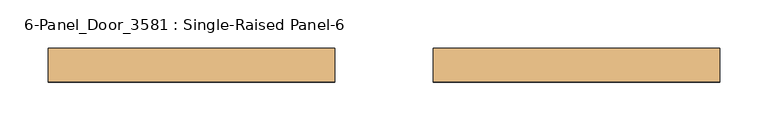
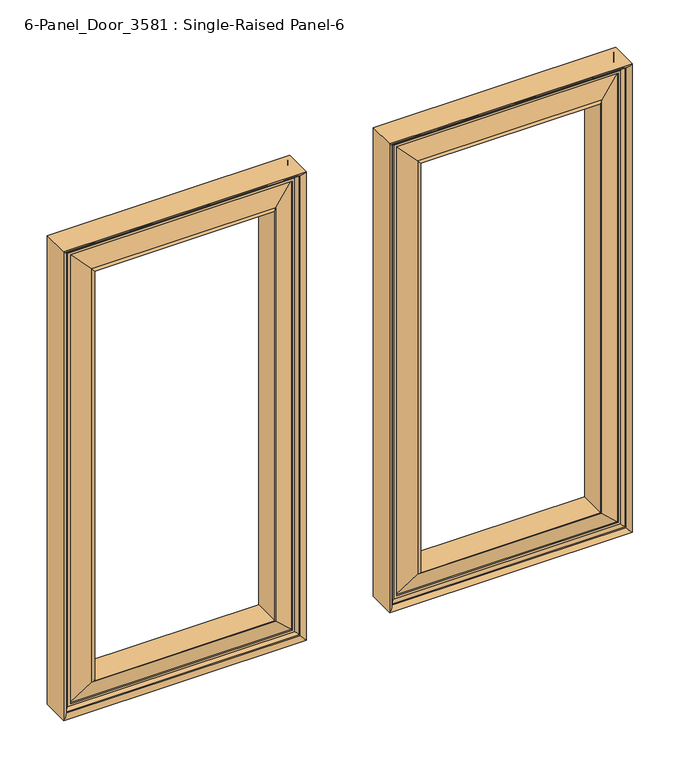
"""IFC4 building model written with IfcOpenShell, lengths in millimetres: door geometry, 6-Panel_Door_3581 : Single-Raised Panel-6."""

import ifcopenshell
import ifcopenshell.guid

model = None  # the IFC model being written
_history = None  # IfcOwnerHistory: only IFC2X3 demands one
_inside = {}  # id of a spatial element -> (the spatial element, [elements in it])
_under = {}  # id of a project, library or spatial element -> (it, [spatial elements below it])
_declared = {}  # id of a project -> (the project, [libraries it declares])
_typed = {}  # id of a type object -> (the type object, [elements of that type])
_made_of = {}  # id of a material, layer set ... -> (it, [elements and type objects made of it])


def new_model(schema):
    """Start an empty IFC model of exactly this schema.

    Asked for "IFC4X3", IfcOpenShell would pick the latest addendum, in which some entities
    have other attributes; the version numbers below select the first issue.
    IFC2X3 requires an IfcOwnerHistory on every rooted entity: one is made here for all.
    """
    global model, _history
    if schema == "IFC4X3":
        model = ifcopenshell.file(schema_version=(4, 3, 0, 0))
    else:
        model = ifcopenshell.file(schema=schema)
    _inside.clear()
    _under.clear()
    _declared.clear()
    _typed.clear()
    _made_of.clear()
    _history = None
    if model.schema == "IFC2X3":
        org = make("IfcOrganization", Name="unknown")
        user = make(
            "IfcPersonAndOrganization",
            ThePerson=make("IfcPerson", FamilyName="unknown"),
            TheOrganization=org,
        )
        app = make(
            "IfcApplication",
            ApplicationDeveloper=org,
            Version="unknown",
            ApplicationFullName="unknown",
            ApplicationIdentifier="unknown",
        )
        _history = make(
            "IfcOwnerHistory",
            OwningUser=user,
            OwningApplication=app,
            ChangeAction="ADDED",
            CreationDate=0,
        )
    return model


def make(cls, **values):
    """One entity of the class cls with the attributes given. An attribute that is None is left unset."""
    return model.create_entity(
        cls, **{name: value for name, value in values.items() if value is not None}
    )


def rooted(cls, **values):
    """An entity with a GlobalId (a new one), such as an element, a storey or a relation."""
    return make(cls, GlobalId=ifcopenshell.guid.new(), OwnerHistory=_history, **values)


def si_unit(unit_type, name, prefix=None):
    """IfcSIUnit, for example si_unit("LENGTHUNIT", "METRE", prefix="MILLI")."""
    return make("IfcSIUnit", UnitType=unit_type, Prefix=prefix, Name=name)


def assignment(units):
    """IfcUnitAssignment: the units of a project."""
    return None if units is None else make("IfcUnitAssignment", Units=units)


def point(xyz):
    """IfcCartesianPoint."""
    return None if xyz is None else make("IfcCartesianPoint", Coordinates=xyz)


def direction(xyz):
    """IfcDirection."""
    return None if xyz is None else make("IfcDirection", DirectionRatios=xyz)


def frame(location, z_axis=None, x_axis=None):
    """IfcAxis2Placement3D, a coordinate frame: its origin and axes. An axis left out is left unset."""
    return make(
        "IfcAxis2Placement3D",
        Location=point(location),
        Axis=direction(z_axis),
        RefDirection=direction(x_axis),
    )


def origin():
    """The frame at (0, 0, 0) with its axes left unset."""
    return frame((0.0, 0.0, 0.0))


def place(relative_to, where):
    """IfcLocalPlacement: puts the frame where relative to a parent placement (None: the world)."""
    return make(
        "IfcLocalPlacement", PlacementRelTo=relative_to, RelativePlacement=where
    )


def context(
    kind, dimensions, precision=None, world=None, true_north=None, identifier=None
):
    """IfcGeometricRepresentationContext, for example the 3D "Model" context."""
    return make(
        "IfcGeometricRepresentationContext",
        ContextIdentifier=identifier,
        ContextType=kind,
        CoordinateSpaceDimension=dimensions,
        Precision=precision,
        WorldCoordinateSystem=world,
        TrueNorth=true_north,
    )


def project(units=None, contexts=None):
    """IfcProject with its units and contexts."""
    return rooted(
        "IfcProject",
        Name="project",
        RepresentationContexts=contexts,
        UnitsInContext=assignment(units),
    )


def spatial(cls, under=None, at=None, **own):
    """A site, building, storey or space (cls), placed at a placement, below another one or the project."""
    s = rooted(cls, ObjectPlacement=at, **own)
    if under is not None:
        _under.setdefault(under.id(), (under, []))[1].append(s)
    return s


def polyline(points):
    """IfcPolyline through the points."""
    return make("IfcPolyline", Points=[point(p) for p in points])


def ellipse_curve(where, semi_axis1, semi_axis2):
    """IfcEllipse in the frame where."""
    return make(
        "IfcEllipse", Position=where, SemiAxis1=semi_axis1, SemiAxis2=semi_axis2
    )


def shape(context_of_items, identifier, shape_type, items):
    """IfcShapeRepresentation: the items that make up one representation, for example the "Body"."""
    return make(
        "IfcShapeRepresentation",
        ContextOfItems=context_of_items,
        RepresentationIdentifier=identifier,
        RepresentationType=shape_type,
        Items=items,
    )


def source(mapping_origin, context_of_items, identifier, shape_type, items):
    """IfcRepresentationMap: a shape defined once, which mapped items show again and again."""
    return make(
        "IfcRepresentationMap",
        MappingOrigin=mapping_origin,
        MappedRepresentation=shape(context_of_items, identifier, shape_type, items),
    )


def transform(
    local_origin,
    x_axis=None,
    y_axis=None,
    z_axis=None,
    scale=None,
    scale2=None,
    scale3=None,
    uniform=True,
):
    """IfcCartesianTransformationOperator3D, or its non-uniform kind. x_axis, y_axis, z_axis: its Axis1, 2, 3."""
    if uniform:
        return make(
            "IfcCartesianTransformationOperator3D",
            Axis1=direction(x_axis),
            Axis2=direction(y_axis),
            LocalOrigin=point(local_origin),
            Scale=scale,
            Axis3=direction(z_axis),
        )
    return make(
        "IfcCartesianTransformationOperator3DnonUniform",
        Axis1=direction(x_axis),
        Axis2=direction(y_axis),
        LocalOrigin=point(local_origin),
        Scale=scale,
        Axis3=direction(z_axis),
        Scale2=scale2,
        Scale3=scale3,
    )


def mapped(mapping_source, mapping_target):
    """IfcMappedItem: shows the shape of a source again, moved by a transform."""
    return make(
        "IfcMappedItem", MappingSource=mapping_source, MappingTarget=mapping_target
    )


def made_of(thing, what):
    """Note that an element or type object is made of a material, layer set ...; save() writes the relation."""
    if what is not None:
        _made_of.setdefault(what.id(), (what, []))[1].append(thing)
    return thing


def element(
    cls,
    number,
    at=None,
    inside=None,
    cuts=None,
    type_object=None,
    material=None,
    context=None,
    identifier="Body",
    shape_type=None,
    held_by="IfcProductDefinitionShape",
    body=None,
    shapes=None,
    **own,
):
    """One element of the class cls, such as IfcWall. Its Tag is "e" and its number.

    at: its placement. inside: the storey or other place that contains it. cuts: it is an
    opening in that element (IfcRelVoidsElement). A single representation is given by context,
    identifier, shape_type and body (its items); several are given by shapes. held_by: the class
    of the entity that holds the representations. save() writes the other relations.
    """
    e = rooted(cls, Tag="e%d" % number, ObjectPlacement=at, **own)
    if body is not None:
        shapes = [shape(context, identifier, shape_type, body)]
    if shapes is not None:
        e.Representation = make(held_by, Representations=shapes)
    if inside is not None:
        _inside.setdefault(inside.id(), (inside, []))[1].append(e)
    if cuts is not None:
        rooted(
            "IfcRelVoidsElement", RelatingBuildingElement=cuts, RelatedOpeningElement=e
        )
    if type_object is not None:
        _typed.setdefault(type_object.id(), (type_object, []))[1].append(e)
    return made_of(e, material)


def aggregate(whole, parts):
    """IfcRelAggregates: a whole, such as a stair, and the parts it consists of."""
    return rooted("IfcRelAggregates", RelatingObject=whole, RelatedObjects=parts)


def save(model, path):
    """Write the relations noted so far, then the file.

    IfcRelAggregates (storeys below a building ...), IfcRelContainedInSpatialStructure (elements
    in a storey), IfcRelDefinesByType, IfcRelAssociatesMaterial and IfcRelDeclares: one each for
    every whole, place, type object, material and project.
    """
    for whole, parts in _under.values():
        aggregate(whole, parts)
    for where, things in _inside.values():
        rooted(
            "IfcRelContainedInSpatialStructure",
            RelatedElements=things,
            RelatingStructure=where,
        )
    for kind, things in _typed.values():
        rooted("IfcRelDefinesByType", RelatedObjects=things, RelatingType=kind)
    for what, things in _made_of.values():
        rooted("IfcRelAssociatesMaterial", RelatedObjects=things, RelatingMaterial=what)
    for by, libraries in _declared.values():
        rooted("IfcRelDeclares", RelatingContext=by, RelatedDefinitions=libraries)
    model.write(path)


def plane_surface(at):
    """IfcPlane: the flat surface through the origin of the frame at, square to its z axis."""
    return make("IfcPlane", Position=at)


def cylinder_surface(at, radius):
    """IfcCylindricalSurface: all points at the distance radius from the z axis of the frame at."""
    return make("IfcCylindricalSurface", Position=at, Radius=radius)


def revolved_surface(curve, axis_point, axis_direction):
    """IfcSurfaceOfRevolution: the curve turned about the line through axis_point along axis_direction."""
    return make(
        "IfcSurfaceOfRevolution",
        SweptCurve=make("IfcArbitraryOpenProfileDef", ProfileType="CURVE", Curve=curve),
        AxisPosition=make("IfcAxis1Placement", Location=point(axis_point), Axis=direction(axis_direction)),
    )


def advanced_brep(points, edges, surfaces, faces):
    """IfcAdvancedBrep: a solid bounded by faces that lie on surfaces and meet in shared edges.

    An edge is (start, end): straight between two places in points (the first is 0);
    or (start, end, curve); or (start, end, curve, False) where it runs against its curve.
    A face is (place in surfaces, loops), or (place, loops, False) where it looks against
    its surface's normal. A loop lists edges by number (the first is 1), with a minus sign
    where the edge is run from its end to its start. The first loop is the outer one.
    """
    corners = [point(p) for p in points]
    vertices = [make("IfcVertexPoint", VertexGeometry=c) for c in corners]
    made = []
    for start, end, *more in edges:
        made.append(
            make(
                "IfcEdgeCurve",
                EdgeStart=vertices[start],
                EdgeEnd=vertices[end],
                EdgeGeometry=more[0] if more else make("IfcPolyline", Points=[corners[start], corners[end]]),
                SameSense=more[1] if len(more) > 1 else True,
            )
        )
    hull = []
    for where, loops, *sense in faces:
        bounds = []
        for j, loop in enumerate(loops):
            ring = [make("IfcOrientedEdge", EdgeElement=made[abs(k) - 1], Orientation=k > 0) for k in loop]
            bounds.append(
                make(
                    "IfcFaceOuterBound" if j == 0 else "IfcFaceBound",
                    Bound=make("IfcEdgeLoop", EdgeList=ring),
                    Orientation=True,
                )
            )
        hull.append(make("IfcAdvancedFace", Bounds=bounds, FaceSurface=surfaces[where], SameSense=sense[0] if sense else True))
    return make("IfcAdvancedBrep", Outer=make("IfcClosedShell", CfsFaces=hull))


def door_6_panel_door_3581_single_raised_panel_6_2b14a75c(model_context):
    return source(origin(), model_context, "Body", "AdvancedBrep", [
        advanced_brep(
        [(50.8, 41.4748678, 1619.25), (346.075, 41.4748678, 1619.25), (346.075, 76.0029928, 1619.25), (50.8, 76.0029928, 1619.25), (55.5583641, 46.0389303, 1614.4916359), (341.3166359, 46.0389303, 1614.4916359), (60.325, 49.2139303, 1609.725), (336.55, 49.2139303, 1609.725), (339.725, 46.0389303, 1612.9), (57.15, 46.0389303, 1612.9), (63.5, 50.8165159, 1606.55), (333.375, 50.8165159, 1606.55), (333.375, 49.2139303, 1606.55), (63.5, 49.2139303, 1606.55), (86.2811535, 44.2921518, 1583.7688465), (310.5938465, 44.2921518, 1583.7688465), (88.9, 41.6733053, 1581.15), (307.975, 41.6733053, 1581.15), (88.9, 76.0029928, 1581.15), (307.975, 76.0029928, 1581.15), (86.0030767, 73.1060696, 1584.0469233), (310.8719233, 73.1060696, 1584.0469233), (63.5, 66.6613447, 1606.55), (333.375, 66.6613447, 1606.55), (63.5, 68.2639303, 1606.55), (333.375, 68.2639303, 1606.55), (57.15, 71.4389303, 1612.9), (339.725, 71.4389303, 1612.9), (336.55, 68.2639303, 1609.725), (60.325, 68.2639303, 1609.725), (341.3166359, 71.4389303, 1614.4916359), (55.5583641, 71.4389303, 1614.4916359), (346.075, 41.4748678, 1016.0), (346.075, 76.0029928, 1016.0), (341.3166359, 46.0389303, 1020.7583641), (336.55, 49.2139303, 1025.525), (339.725, 46.0389303, 1022.35), (333.375, 50.8165159, 1028.7), (333.375, 49.2139303, 1028.7), (310.5938465, 44.2921518, 1051.4811535), (307.975, 41.6733053, 1054.1), (307.975, 76.0029928, 1054.1), (310.8719233, 73.1060696, 1051.2030767), (333.375, 66.6613447, 1028.7), (333.375, 68.2639303, 1028.7), (339.725, 71.4389303, 1022.35), (336.55, 68.2639303, 1025.525), (341.3166359, 71.4389303, 1020.7583641), (50.8, 41.4748678, 1016.0), (50.8, 76.0029928, 1016.0), (55.5583641, 46.0389303, 1020.7583641), (60.325, 49.2139303, 1025.525), (57.15, 46.0389303, 1022.35), (63.5, 50.8165159, 1028.7), (63.5, 49.2139303, 1028.7), (86.2811535, 44.2921518, 1051.4811535), (88.9, 41.6733053, 1054.1), (88.9, 76.0029928, 1054.1), (86.0030767, 73.1060696, 1051.2030767), (63.5, 66.6613447, 1028.7), (63.5, 68.2639303, 1028.7), (57.15, 71.4389303, 1022.35), (60.325, 68.2639303, 1025.525), (55.5583641, 71.4389303, 1020.7583641)],
        [
            (0, 1),
            (1, 2),
            (2, 3),
            (3, 0),
            (4, 5),
            (5, 1, ellipse_curve(frame((346.075, 46.2373678, 1619.25), z_axis=(-0.7071067811865475, 0.0, 0.7071067811865475), x_axis=(-0.7071067811865477, 0.0, -0.7071067811865474)), 6.7351921, 4.7625)),
            (0, 4, ellipse_curve(frame((50.8, 46.2373678, 1619.25), z_axis=(0.7071067811865481, 0.0, 0.7071067811865469), x_axis=(-0.7071067811865469, 0.0, 0.7071067811865481)), 6.7351921, 4.7625)),
            (6, 7),
            (7, 8, ellipse_curve(frame((336.55, 46.0389303, 1609.725), z_axis=(0.7071067811865475, 0.0, -0.7071067811865475), x_axis=(0.7071067811865477, 0.0, 0.7071067811865474)), 4.4901281, 3.175)),
            (8, 9),
            (9, 6, ellipse_curve(frame((60.325, 46.0389303, 1609.725), z_axis=(-0.7071067811865481, 0.0, -0.7071067811865469), x_axis=(0.7071067811865469, 0.0, -0.7071067811865481)), 4.4901281, 3.175)),
            (10, 11),
            (11, 12),
            (12, 13),
            (13, 10),
            (14, 15),
            (15, 11),
            (10, 14),
            (16, 17),
            (17, 15),
            (14, 16),
            (18, 19),
            (19, 17),
            (16, 18),
            (20, 21),
            (21, 19),
            (18, 20),
            (22, 23),
            (23, 21),
            (20, 22),
            (24, 25),
            (25, 23),
            (22, 24),
            (26, 27),
            (27, 28, ellipse_curve(frame((336.55, 71.4389303, 1609.725), z_axis=(0.7071067811865475, 0.0, -0.7071067811865475), x_axis=(0.7071067811865477, 0.0, 0.7071067811865474)), 4.4901281, 3.175)),
            (28, 29),
            (29, 26, ellipse_curve(frame((60.325, 71.4389303, 1609.725), z_axis=(-0.7071067811865481, 0.0, -0.7071067811865469), x_axis=(0.7071067811865469, 0.0, -0.7071067811865481)), 4.4901281, 3.175)),
            (2, 30, ellipse_curve(frame((346.075, 71.2404928, 1619.25), z_axis=(-0.7071067811865475, 0.0, 0.7071067811865475), x_axis=(-0.7071067811865477, 0.0, -0.7071067811865474)), 6.7351921, 4.7625)),
            (30, 31),
            (31, 3, ellipse_curve(frame((50.8, 71.2404928, 1619.25), z_axis=(0.7071067811865481, 0.0, 0.7071067811865469), x_axis=(-0.7071067811865469, 0.0, 0.7071067811865481)), 6.7351921, 4.7625)),
            (1, 32),
            (32, 33),
            (33, 2),
            (5, 34),
            (34, 32, ellipse_curve(frame((346.075, 46.2373678, 1016.0), z_axis=(0.7071067811865475, 0.0, 0.7071067811865475), x_axis=(-0.7071067811865474, 0.0, 0.7071067811865477)), 6.7351921, 4.7625)),
            (7, 35),
            (35, 36, ellipse_curve(frame((336.55, 46.0389303, 1025.525), z_axis=(-0.7071067811865475, 0.0, -0.7071067811865475), x_axis=(0.7071067811865474, 0.0, -0.7071067811865477)), 4.4901281, 3.175)),
            (36, 8),
            (11, 37),
            (37, 38),
            (38, 12),
            (15, 39),
            (39, 37),
            (17, 40),
            (40, 39),
            (19, 41),
            (41, 40),
            (21, 42),
            (42, 41),
            (23, 43),
            (43, 42),
            (25, 44),
            (44, 43),
            (27, 45),
            (45, 46, ellipse_curve(frame((336.55, 71.4389303, 1025.525), z_axis=(-0.7071067811865475, 0.0, -0.7071067811865475), x_axis=(0.7071067811865474, 0.0, -0.7071067811865477)), 4.4901281, 3.175)),
            (46, 28),
            (33, 47, ellipse_curve(frame((346.075, 71.2404928, 1016.0), z_axis=(0.7071067811865475, 0.0, 0.7071067811865475), x_axis=(-0.7071067811865474, 0.0, 0.7071067811865477)), 6.7351921, 4.7625)),
            (47, 30),
            (32, 48),
            (48, 49),
            (49, 33),
            (34, 50),
            (50, 48, ellipse_curve(frame((50.8, 46.2373678, 1016.0), z_axis=(0.7071067811865469, 0.0, -0.7071067811865481), x_axis=(0.7071067811865481, 0.0, 0.7071067811865468)), 6.7351921, 4.7625)),
            (35, 51),
            (51, 52, ellipse_curve(frame((60.325, 46.0389303, 1025.525), z_axis=(-0.7071067811865469, 0.0, 0.7071067811865481), x_axis=(-0.7071067811865481, 0.0, -0.7071067811865468)), 4.4901281, 3.175)),
            (52, 36),
            (37, 53),
            (53, 54),
            (54, 38),
            (39, 55),
            (55, 53),
            (40, 56),
            (56, 55),
            (41, 57),
            (57, 56),
            (42, 58),
            (58, 57),
            (43, 59),
            (59, 58),
            (44, 60),
            (60, 59),
            (45, 61),
            (61, 62, ellipse_curve(frame((60.325, 71.4389303, 1025.525), z_axis=(-0.7071067811865469, 0.0, 0.7071067811865481), x_axis=(-0.7071067811865481, 0.0, -0.7071067811865468)), 4.4901281, 3.175)),
            (62, 46),
            (49, 63, ellipse_curve(frame((50.8, 71.2404928, 1016.0), z_axis=(0.7071067811865469, 0.0, -0.7071067811865481), x_axis=(0.7071067811865481, 0.0, 0.7071067811865468)), 6.7351921, 4.7625)),
            (63, 47),
            (48, 0),
            (3, 49),
            (50, 4),
            (52, 9),
            (51, 6),
            (54, 13),
            (53, 10),
            (55, 14),
            (56, 16),
            (57, 18),
            (58, 20),
            (59, 22),
            (60, 24),
            (62, 29),
            (61, 26),
            (63, 31),
        ],
        [
            plane_surface(frame((50.8, 76.0029928, 1619.25), z_axis=(0.0, 0.0, 1.0), x_axis=(1.0, 0.0, 0.0))),
            cylinder_surface(frame((50.8, 46.2373678, 1619.25), z_axis=(-1.0, 0.0, 0.0), x_axis=(0.0, 0.0, 1.0)), 4.7625),
            revolved_surface(polyline([(339.7250000279063, 46.0389303, 1612.8999999999999), (57.14999997209374, 46.0389303, 1612.8999999999999)]), (50.8, 46.0389303, 1609.725), (1.0, 0.0, 0.0)),
            plane_surface(frame((63.5, 49.2139303, 1606.55), z_axis=(0.0, 0.0, -1.0), x_axis=(1.0, 0.0, 0.0))),
            plane_surface(frame((63.5, 50.8165159, 1606.55), z_axis=(0.0, -0.9613513906239454, 0.2753243609733919), x_axis=(1.0, 0.0, 0.0))),
            plane_surface(frame((86.2811535, 44.2921518, 1583.7688465), z_axis=(0.0, -0.7071067811865464, 0.7071067811865487), x_axis=(1.0, 0.0, 0.0))),
            plane_surface(frame((88.9, 41.6733053, 1581.15), z_axis=(0.0, 0.0, -1.0), x_axis=(1.0, 0.0, 0.0))),
            plane_surface(frame((88.9, 76.0029928, 1581.15), z_axis=(0.0, 0.7071067811865527, 0.7071067811865424), x_axis=(1.0, 0.0, 0.0))),
            plane_surface(frame((86.0030767, 73.1060696, 1584.0469233), z_axis=(0.0, 0.9613513906239438, 0.27532436097339685), x_axis=(1.0, 0.0, 0.0))),
            plane_surface(frame((63.5, 66.6613447, 1606.55), z_axis=(0.0, 0.0, -1.0), x_axis=(1.0, 0.0, 0.0))),
            revolved_surface(polyline([(339.7250000279063, 71.4389303, 1612.8999999999999), (57.14999997209374, 71.4389303, 1612.8999999999999)]), (50.8, 71.4389303, 1609.725), (1.0, 0.0, 0.0)),
            cylinder_surface(frame((50.8, 71.2404928, 1619.25), z_axis=(-1.0, 0.0, 0.0), x_axis=(0.0, 0.0, 1.0)), 4.7625),
            plane_surface(frame((346.075, 76.0029928, 1619.25), z_axis=(1.0, 0.0, 0.0), x_axis=(0.0, 0.0, -1.0))),
            cylinder_surface(frame((346.075, 46.2373678, 1619.25), z_axis=(0.0, 0.0, 1.0), x_axis=(1.0, 0.0, 0.0)), 4.7625),
            revolved_surface(polyline([(339.725, 46.0389303, 1022.3499999720938), (339.725, 46.0389303, 1612.9000000279061)]), (336.55, 46.0389303, 1619.25), (0.0, 0.0, -1.0)),
            plane_surface(frame((333.375, 49.2139303, 1606.55), z_axis=(-1.0, 0.0, 0.0), x_axis=(0.0, 0.0, -1.0))),
            plane_surface(frame((333.375, 50.8165159, 1606.55), z_axis=(0.2753243609733919, -0.9613513906239454, 0.0), x_axis=(0.0, 0.0, -1.0))),
            plane_surface(frame((310.5938465, 44.2921518, 1583.7688465), z_axis=(0.7071067811865487, -0.7071067811865464, 0.0), x_axis=(0.0, 0.0, -1.0))),
            plane_surface(frame((307.975, 41.6733053, 1581.15), z_axis=(-1.0, 0.0, 0.0), x_axis=(0.0, 0.0, -1.0))),
            plane_surface(frame((307.975, 76.0029928, 1581.15), z_axis=(0.7071067811865424, 0.7071067811865527, 0.0), x_axis=(0.0, 0.0, -1.0))),
            plane_surface(frame((310.8719233, 73.1060696, 1584.0469233), z_axis=(0.27532436097339685, 0.9613513906239438, 0.0), x_axis=(0.0, 0.0, -1.0))),
            plane_surface(frame((333.375, 66.6613447, 1606.55), z_axis=(-1.0, 0.0, 0.0), x_axis=(0.0, 0.0, -1.0))),
            revolved_surface(polyline([(339.725, 71.4389303, 1022.3499999720938), (339.725, 71.4389303, 1612.9000000279061)]), (336.55, 71.4389303, 1619.25), (0.0, 0.0, -1.0)),
            cylinder_surface(frame((346.075, 71.2404928, 1619.25), z_axis=(0.0, 0.0, 1.0), x_axis=(1.0, 0.0, 0.0)), 4.7625),
            plane_surface(frame((346.075, 76.0029928, 1016.0), z_axis=(0.0, 0.0, -1.0), x_axis=(-1.0, 0.0, 0.0))),
            cylinder_surface(frame((346.075, 46.2373678, 1016.0), z_axis=(1.0, 0.0, 0.0), x_axis=(0.0, 0.0, -1.0)), 4.7625),
            revolved_surface(polyline([(57.149999972093724, 46.0389303, 1022.3500000000001), (339.7250000279063, 46.0389303, 1022.3500000000001)]), (346.075, 46.0389303, 1025.525), (-1.0, 0.0, 0.0)),
            plane_surface(frame((333.375, 49.2139303, 1028.7), z_axis=(0.0, 0.0, 1.0), x_axis=(-1.0, 0.0, 0.0))),
            plane_surface(frame((333.375, 50.8165159, 1028.7), z_axis=(0.0, -0.9613513906239454, -0.2753243609733919), x_axis=(-1.0, 0.0, 0.0))),
            plane_surface(frame((310.5938465, 44.2921518, 1051.4811535), z_axis=(0.0, -0.7071067811865464, -0.7071067811865487), x_axis=(-1.0, 0.0, 0.0))),
            plane_surface(frame((307.975, 41.6733053, 1054.1), z_axis=(0.0, 0.0, 1.0), x_axis=(-1.0, 0.0, 0.0))),
            plane_surface(frame((307.975, 76.0029928, 1054.1), z_axis=(0.0, 0.7071067811865527, -0.7071067811865424), x_axis=(-1.0, 0.0, 0.0))),
            plane_surface(frame((310.8719233, 73.1060696, 1051.2030767), z_axis=(0.0, 0.9613513906239438, -0.27532436097339685), x_axis=(-1.0, 0.0, 0.0))),
            plane_surface(frame((333.375, 66.6613447, 1028.7), z_axis=(0.0, 0.0, 1.0), x_axis=(-1.0, 0.0, 0.0))),
            revolved_surface(polyline([(57.149999972093724, 71.4389303, 1022.3500000000001), (339.7250000279063, 71.4389303, 1022.3500000000001)]), (346.075, 71.4389303, 1025.525), (-1.0, 0.0, 0.0)),
            cylinder_surface(frame((346.075, 71.2404928, 1016.0), z_axis=(1.0, 0.0, 0.0), x_axis=(0.0, 0.0, -1.0)), 4.7625),
            plane_surface(frame((50.8, 76.0029928, 1016.0), z_axis=(-1.0, 0.0, 0.0), x_axis=(0.0, 0.0, 1.0))),
            cylinder_surface(frame((50.8, 46.2373678, 1016.0), z_axis=(0.0, 0.0, -1.0), x_axis=(-1.0, 0.0, 0.0)), 4.7625),
            plane_surface(frame((55.5583641, 46.0389303, 1020.7583641), z_axis=(0.0, -1.0, 0.0), x_axis=(0.0, 0.0, 1.0))),
            revolved_surface(polyline([(57.150000000000006, 46.0389303, 1612.9000000279061), (57.150000000000006, 46.0389303, 1022.3499999720939)]), (60.325, 46.0389303, 1016.0), (0.0, 0.0, 1.0)),
            plane_surface(frame((60.325, 49.2139303, 1025.525), z_axis=(0.0, -1.0, 0.0), x_axis=(0.0, 0.0, 1.0))),
            plane_surface(frame((63.5, 49.2139303, 1028.7), z_axis=(1.0, 0.0, 0.0), x_axis=(0.0, 0.0, 1.0))),
            plane_surface(frame((63.5, 50.8165159, 1028.7), z_axis=(-0.2753243609733919, -0.9613513906239454, 0.0), x_axis=(0.0, 0.0, 1.0))),
            plane_surface(frame((86.2811535, 44.2921518, 1051.4811535), z_axis=(-0.7071067811865487, -0.7071067811865464, 0.0), x_axis=(0.0, 0.0, 1.0))),
            plane_surface(frame((88.9, 41.6733053, 1054.1), z_axis=(1.0, 0.0, 0.0), x_axis=(0.0, 0.0, 1.0))),
            plane_surface(frame((88.9, 76.0029928, 1054.1), z_axis=(-0.7071067811865424, 0.7071067811865527, 0.0), x_axis=(0.0, 0.0, 1.0))),
            plane_surface(frame((86.0030767, 73.1060696, 1051.2030767), z_axis=(-0.27532436097339685, 0.9613513906239438, 0.0), x_axis=(0.0, 0.0, 1.0))),
            plane_surface(frame((63.5, 66.6613447, 1028.7), z_axis=(1.0, 0.0, 0.0), x_axis=(0.0, 0.0, 1.0))),
            plane_surface(frame((63.5, 68.2639303, 1028.7), z_axis=(0.0, 1.0, 0.0), x_axis=(0.0, 0.0, 1.0))),
            revolved_surface(polyline([(57.150000000000006, 71.4389303, 1612.9000000279061), (57.150000000000006, 71.4389303, 1022.3499999720939)]), (60.325, 71.4389303, 1016.0), (0.0, 0.0, 1.0)),
            plane_surface(frame((57.15, 71.4389303, 1022.35), z_axis=(0.0, 1.0, 0.0), x_axis=(0.0, 0.0, 1.0))),
            cylinder_surface(frame((50.8, 71.2404928, 1016.0), z_axis=(0.0, 0.0, -1.0), x_axis=(-1.0, 0.0, 0.0)), 4.7625),
        ],
        [
            (0, [[1, 2, 3, 4]]),
            (1, [[5, 6, -1, 7]]),
            (2, [[8, 9, 10, 11]]),
            (3, [[12, 13, 14, 15]]),
            (4, [[16, 17, -12, 18]]),
            (5, [[19, 20, -16, 21]]),
            (6, [[22, 23, -19, 24]]),
            (7, [[25, 26, -22, 27]]),
            (8, [[28, 29, -25, 30]]),
            (9, [[31, 32, -28, 33]]),
            (10, [[34, 35, 36, 37]]),
            (11, [[-3, 38, 39, 40]]),
            (12, [[41, 42, 43, -2]]),
            (13, [[44, 45, -41, -6]]),
            (14, [[46, 47, 48, -9]]),
            (15, [[49, 50, 51, -13]]),
            (16, [[52, 53, -49, -17]]),
            (17, [[54, 55, -52, -20]]),
            (18, [[56, 57, -54, -23]]),
            (19, [[58, 59, -56, -26]]),
            (20, [[60, 61, -58, -29]]),
            (21, [[62, 63, -60, -32]]),
            (22, [[64, 65, 66, -35]]),
            (23, [[-43, 67, 68, -38]]),
            (24, [[69, 70, 71, -42]]),
            (25, [[72, 73, -69, -45]]),
            (26, [[74, 75, 76, -47]]),
            (27, [[77, 78, 79, -50]]),
            (28, [[80, 81, -77, -53]]),
            (29, [[82, 83, -80, -55]]),
            (30, [[84, 85, -82, -57]]),
            (31, [[86, 87, -84, -59]]),
            (32, [[88, 89, -86, -61]]),
            (33, [[90, 91, -88, -63]]),
            (34, [[92, 93, 94, -65]]),
            (35, [[-71, 95, 96, -67]]),
            (36, [[97, -4, 98, -70]]),
            (37, [[99, -7, -97, -73]]),
            (38, [[-5, -99, -72, -44], [-10, -48, -76, 100]]),
            (39, [[101, -11, -100, -75]]),
            (40, [[-8, -101, -74, -46], [-14, -51, -79, 102]]),
            (41, [[103, -15, -102, -78]]),
            (42, [[104, -18, -103, -81]]),
            (43, [[105, -21, -104, -83]]),
            (44, [[106, -24, -105, -85]]),
            (45, [[107, -27, -106, -87]]),
            (46, [[108, -30, -107, -89]]),
            (47, [[109, -33, -108, -91]]),
            (48, [[-36, -66, -94, 110], [-31, -109, -90, -62]]),
            (49, [[111, -37, -110, -93]]),
            (50, [[-39, -68, -96, 112], [-34, -111, -92, -64]]),
            (51, [[-98, -40, -112, -95]]),
        ],
    ),
        advanced_brep(
        [(-346.075, 76.0029928, 1016.0), (-50.8, 76.0029928, 1016.0), (-50.8, 41.4748678, 1016.0), (-346.075, 41.4748678, 1016.0), (-341.3166359, 71.4389303, 1020.7583641), (-55.5583641, 71.4389303, 1020.7583641), (-336.55, 68.2639303, 1025.525), (-60.325, 68.2639303, 1025.525), (-57.15, 71.4389303, 1022.35), (-339.725, 71.4389303, 1022.35), (-333.375, 66.6613447, 1028.7), (-63.5, 66.6613447, 1028.7), (-63.5, 68.2639303, 1028.7), (-333.375, 68.2639303, 1028.7), (-310.8719233, 73.1060696, 1051.2030767), (-86.0030767, 73.1060696, 1051.2030767), (-307.975, 76.0029928, 1054.1), (-88.9, 76.0029928, 1054.1), (-307.975, 41.6733053, 1054.1), (-88.9, 41.6733053, 1054.1), (-310.5938465, 44.2921518, 1051.4811535), (-86.2811535, 44.2921518, 1051.4811535), (-333.375, 50.8165159, 1028.7), (-63.5, 50.8165159, 1028.7), (-333.375, 49.2139303, 1028.7), (-63.5, 49.2139303, 1028.7), (-339.725, 46.0389303, 1022.35), (-57.15, 46.0389303, 1022.35), (-60.325, 49.2139303, 1025.525), (-336.55, 49.2139303, 1025.525), (-55.5583641, 46.0389303, 1020.7583641), (-341.3166359, 46.0389303, 1020.7583641), (-50.8, 76.0029928, 1619.25), (-50.8, 41.4748678, 1619.25), (-55.5583641, 71.4389303, 1614.4916359), (-60.325, 68.2639303, 1609.725), (-57.15, 71.4389303, 1612.9), (-63.5, 66.6613447, 1606.55), (-63.5, 68.2639303, 1606.55), (-86.0030767, 73.1060696, 1584.0469233), (-88.9, 76.0029928, 1581.15), (-88.9, 41.6733053, 1581.15), (-86.2811535, 44.2921518, 1583.7688465), (-63.5, 50.8165159, 1606.55), (-63.5, 49.2139303, 1606.55), (-57.15, 46.0389303, 1612.9), (-60.325, 49.2139303, 1609.725), (-55.5583641, 46.0389303, 1614.4916359), (-346.075, 76.0029928, 1619.25), (-346.075, 41.4748678, 1619.25), (-341.3166359, 71.4389303, 1614.4916359), (-336.55, 68.2639303, 1609.725), (-339.725, 71.4389303, 1612.9), (-333.375, 66.6613447, 1606.55), (-333.375, 68.2639303, 1606.55), (-310.8719233, 73.1060696, 1584.0469233), (-307.975, 76.0029928, 1581.15), (-307.975, 41.6733053, 1581.15), (-310.5938465, 44.2921518, 1583.7688465), (-333.375, 50.8165159, 1606.55), (-333.375, 49.2139303, 1606.55), (-339.725, 46.0389303, 1612.9), (-336.55, 49.2139303, 1609.725), (-341.3166359, 46.0389303, 1614.4916359)],
        [
            (0, 1),
            (1, 2),
            (2, 3),
            (3, 0),
            (4, 5),
            (5, 1, ellipse_curve(frame((-50.8, 71.2404928, 1016.0), z_axis=(-0.7071067811865481, 0.0, -0.7071067811865469), x_axis=(-0.7071067811865469, 0.0, 0.707106781186548)), 6.7351921, 4.7625)),
            (0, 4, ellipse_curve(frame((-346.075, 71.2404928, 1016.0), z_axis=(0.7071067811865475, 0.0, -0.7071067811865476), x_axis=(-0.7071067811865475, 0.0, -0.7071067811865475)), 6.7351921, 4.7625)),
            (6, 7),
            (7, 8, ellipse_curve(frame((-60.325, 71.4389303, 1025.525), z_axis=(0.7071067811865481, 0.0, 0.7071067811865469), x_axis=(0.7071067811865469, 0.0, -0.707106781186548)), 4.4901281, 3.175)),
            (8, 9),
            (9, 6, ellipse_curve(frame((-336.55, 71.4389303, 1025.525), z_axis=(-0.7071067811865475, 0.0, 0.7071067811865476), x_axis=(0.7071067811865475, 0.0, 0.7071067811865475)), 4.4901281, 3.175)),
            (10, 11),
            (11, 12),
            (12, 13),
            (13, 10),
            (14, 15),
            (15, 11),
            (10, 14),
            (16, 17),
            (17, 15),
            (14, 16),
            (18, 19),
            (19, 17),
            (16, 18),
            (20, 21),
            (21, 19),
            (18, 20),
            (22, 23),
            (23, 21),
            (20, 22),
            (24, 25),
            (25, 23),
            (22, 24),
            (26, 27),
            (27, 28, ellipse_curve(frame((-60.325, 46.0389303, 1025.525), z_axis=(0.7071067811865481, 0.0, 0.7071067811865469), x_axis=(0.7071067811865469, 0.0, -0.707106781186548)), 4.4901281, 3.175)),
            (28, 29),
            (29, 26, ellipse_curve(frame((-336.55, 46.0389303, 1025.525), z_axis=(-0.7071067811865475, 0.0, 0.7071067811865476), x_axis=(0.7071067811865475, 0.0, 0.7071067811865475)), 4.4901281, 3.175)),
            (2, 30, ellipse_curve(frame((-50.8, 46.2373678, 1016.0), z_axis=(-0.7071067811865481, 0.0, -0.7071067811865469), x_axis=(-0.7071067811865469, 0.0, 0.707106781186548)), 6.7351921, 4.7625)),
            (30, 31),
            (31, 3, ellipse_curve(frame((-346.075, 46.2373678, 1016.0), z_axis=(0.7071067811865475, 0.0, -0.7071067811865476), x_axis=(-0.7071067811865475, 0.0, -0.7071067811865475)), 6.7351921, 4.7625)),
            (1, 32),
            (32, 33),
            (33, 2),
            (5, 34),
            (34, 32, ellipse_curve(frame((-50.8, 71.2404928, 1619.25), z_axis=(0.7071067811865469, 0.0, -0.7071067811865481), x_axis=(-0.707106781186548, 0.0, -0.7071067811865469)), 6.7351921, 4.7625)),
            (7, 35),
            (35, 36, ellipse_curve(frame((-60.325, 71.4389303, 1609.725), z_axis=(-0.7071067811865469, 0.0, 0.7071067811865481), x_axis=(0.707106781186548, 0.0, 0.7071067811865469)), 4.4901281, 3.175)),
            (36, 8),
            (11, 37),
            (37, 38),
            (38, 12),
            (15, 39),
            (39, 37),
            (17, 40),
            (40, 39),
            (19, 41),
            (41, 40),
            (21, 42),
            (42, 41),
            (23, 43),
            (43, 42),
            (25, 44),
            (44, 43),
            (27, 45),
            (45, 46, ellipse_curve(frame((-60.325, 46.0389303, 1609.725), z_axis=(-0.7071067811865469, 0.0, 0.7071067811865481), x_axis=(0.707106781186548, 0.0, 0.7071067811865469)), 4.4901281, 3.175)),
            (46, 28),
            (33, 47, ellipse_curve(frame((-50.8, 46.2373678, 1619.25), z_axis=(0.7071067811865469, 0.0, -0.7071067811865481), x_axis=(-0.707106781186548, 0.0, -0.7071067811865469)), 6.7351921, 4.7625)),
            (47, 30),
            (32, 48),
            (48, 49),
            (49, 33),
            (34, 50),
            (50, 48, ellipse_curve(frame((-346.075, 71.2404928, 1619.25), z_axis=(0.7071067811865476, 0.0, 0.7071067811865475), x_axis=(0.7071067811865475, 0.0, -0.7071067811865475)), 6.7351921, 4.7625)),
            (35, 51),
            (51, 52, ellipse_curve(frame((-336.55, 71.4389303, 1609.725), z_axis=(-0.7071067811865476, 0.0, -0.7071067811865475), x_axis=(-0.7071067811865475, 0.0, 0.7071067811865475)), 4.4901281, 3.175)),
            (52, 36),
            (37, 53),
            (53, 54),
            (54, 38),
            (39, 55),
            (55, 53),
            (40, 56),
            (56, 55),
            (41, 57),
            (57, 56),
            (42, 58),
            (58, 57),
            (43, 59),
            (59, 58),
            (44, 60),
            (60, 59),
            (45, 61),
            (61, 62, ellipse_curve(frame((-336.55, 46.0389303, 1609.725), z_axis=(-0.7071067811865476, 0.0, -0.7071067811865475), x_axis=(-0.7071067811865475, 0.0, 0.7071067811865475)), 4.4901281, 3.175)),
            (62, 46),
            (49, 63, ellipse_curve(frame((-346.075, 46.2373678, 1619.25), z_axis=(0.7071067811865476, 0.0, 0.7071067811865475), x_axis=(0.7071067811865475, 0.0, -0.7071067811865475)), 6.7351921, 4.7625)),
            (63, 47),
            (48, 0),
            (3, 49),
            (50, 4),
            (52, 9),
            (51, 6),
            (54, 13),
            (53, 10),
            (55, 14),
            (56, 16),
            (57, 18),
            (58, 20),
            (59, 22),
            (60, 24),
            (62, 29),
            (61, 26),
            (63, 31),
        ],
        [
            plane_surface(frame((-346.075, 41.4748678, 1016.0), z_axis=(0.0, 0.0, -1.0), x_axis=(1.0, 0.0, 0.0))),
            cylinder_surface(frame((-346.075, 71.2404928, 1016.0), z_axis=(-1.0, 0.0, 0.0), x_axis=(0.0, 1.0, 0.0)), 4.7625),
            revolved_surface(polyline([(-57.149999972093724, 74.61393029999999, 1025.525), (-339.7250000279063, 74.61393029999999, 1025.525)]), (-346.075, 71.4389303, 1025.525), (1.0, 0.0, 0.0)),
            plane_surface(frame((-333.375, 68.2639303, 1028.7), z_axis=(0.0, 0.0, 1.0), x_axis=(1.0, 0.0, 0.0))),
            plane_surface(frame((-333.375, 66.6613447, 1028.7), z_axis=(0.0, 0.961351390623947, -0.275324360973386), x_axis=(1.0, 0.0, 0.0))),
            plane_surface(frame((-310.8719233, 73.1060696, 1051.2030767), z_axis=(0.0, 0.7071067811865455, -0.7071067811865496), x_axis=(1.0, 0.0, 0.0))),
            plane_surface(frame((-307.975, 76.0029928, 1054.1), z_axis=(0.0, 0.0, 1.0), x_axis=(1.0, 0.0, 0.0))),
            plane_surface(frame((-307.975, 41.6733053, 1054.1), z_axis=(0.0, -0.7071067811865452, -0.7071067811865498), x_axis=(1.0, 0.0, 0.0))),
            plane_surface(frame((-310.5938465, 44.2921518, 1051.4811535), z_axis=(0.0, -0.9613513906239456, -0.2753243609733912), x_axis=(1.0, 0.0, 0.0))),
            plane_surface(frame((-333.375, 50.8165159, 1028.7), z_axis=(0.0, 0.0, 1.0), x_axis=(1.0, 0.0, 0.0))),
            revolved_surface(polyline([(-57.149999972093724, 49.213930299999994, 1025.525), (-339.7250000279063, 49.213930299999994, 1025.525)]), (-346.075, 46.0389303, 1025.525), (1.0, 0.0, 0.0)),
            cylinder_surface(frame((-346.075, 46.2373678, 1016.0), z_axis=(-1.0, 0.0, 0.0), x_axis=(0.0, 1.0, 0.0)), 4.7625),
            plane_surface(frame((-50.8, 41.4748678, 1016.0), z_axis=(1.0, 0.0, 0.0), x_axis=(0.0, 0.0, 1.0))),
            cylinder_surface(frame((-50.8, 71.2404928, 1016.0), z_axis=(0.0, 0.0, -1.0), x_axis=(0.0, 1.0, 0.0)), 4.7625),
            revolved_surface(polyline([(-60.325, 74.61393029999999, 1612.9000000279061), (-60.325, 74.61393029999999, 1022.3499999720938)]), (-60.325, 71.4389303, 1016.0), (0.0, 0.0, 1.0)),
            plane_surface(frame((-63.5, 68.2639303, 1028.7), z_axis=(-1.0, 0.0, 0.0), x_axis=(0.0, 0.0, 1.0))),
            plane_surface(frame((-63.5, 66.6613447, 1028.7), z_axis=(0.275324360973386, 0.961351390623947, 0.0), x_axis=(0.0, 0.0, 1.0))),
            plane_surface(frame((-86.0030767, 73.1060696, 1051.2030767), z_axis=(0.7071067811865496, 0.7071067811865455, 0.0), x_axis=(0.0, 0.0, 1.0))),
            plane_surface(frame((-88.9, 76.0029928, 1054.1), z_axis=(-1.0, 0.0, 0.0), x_axis=(0.0, 0.0, 1.0))),
            plane_surface(frame((-88.9, 41.6733053, 1054.1), z_axis=(0.7071067811865498, -0.7071067811865452, 0.0), x_axis=(0.0, 0.0, 1.0))),
            plane_surface(frame((-86.2811535, 44.2921518, 1051.4811535), z_axis=(0.2753243609733912, -0.9613513906239456, 0.0), x_axis=(0.0, 0.0, 1.0))),
            plane_surface(frame((-63.5, 50.8165159, 1028.7), z_axis=(-1.0, 0.0, 0.0), x_axis=(0.0, 0.0, 1.0))),
            revolved_surface(polyline([(-60.325, 49.213930299999994, 1612.9000000279061), (-60.325, 49.213930299999994, 1022.3499999720938)]), (-60.325, 46.0389303, 1016.0), (0.0, 0.0, 1.0)),
            cylinder_surface(frame((-50.8, 46.2373678, 1016.0), z_axis=(0.0, 0.0, -1.0), x_axis=(0.0, 1.0, 0.0)), 4.7625),
            plane_surface(frame((-50.8, 41.4748678, 1619.25), z_axis=(0.0, 0.0, 1.0), x_axis=(-1.0, 0.0, 0.0))),
            cylinder_surface(frame((-50.8, 71.2404928, 1619.25), z_axis=(1.0, 0.0, 0.0), x_axis=(0.0, 1.0, 0.0)), 4.7625),
            revolved_surface(polyline([(-339.7250000279063, 74.61393029999999, 1609.725), (-57.14999997209373, 74.61393029999999, 1609.725)]), (-50.8, 71.4389303, 1609.725), (-1.0, 0.0, 0.0)),
            plane_surface(frame((-63.5, 68.2639303, 1606.55), z_axis=(0.0, 0.0, -1.0), x_axis=(-1.0, 0.0, 0.0))),
            plane_surface(frame((-63.5, 66.6613447, 1606.55), z_axis=(0.0, 0.961351390623947, 0.275324360973386), x_axis=(-1.0, 0.0, 0.0))),
            plane_surface(frame((-86.0030767, 73.1060696, 1584.0469233), z_axis=(0.0, 0.7071067811865455, 0.7071067811865496), x_axis=(-1.0, 0.0, 0.0))),
            plane_surface(frame((-88.9, 76.0029928, 1581.15), z_axis=(0.0, 0.0, -1.0), x_axis=(-1.0, 0.0, 0.0))),
            plane_surface(frame((-88.9, 41.6733053, 1581.15), z_axis=(0.0, -0.7071067811865452, 0.7071067811865498), x_axis=(-1.0, 0.0, 0.0))),
            plane_surface(frame((-86.2811535, 44.2921518, 1583.7688465), z_axis=(0.0, -0.9613513906239456, 0.2753243609733912), x_axis=(-1.0, 0.0, 0.0))),
            plane_surface(frame((-63.5, 50.8165159, 1606.55), z_axis=(0.0, 0.0, -1.0), x_axis=(-1.0, 0.0, 0.0))),
            revolved_surface(polyline([(-339.7250000279063, 49.213930299999994, 1609.725), (-57.14999997209373, 49.213930299999994, 1609.725)]), (-50.8, 46.0389303, 1609.725), (-1.0, 0.0, 0.0)),
            cylinder_surface(frame((-50.8, 46.2373678, 1619.25), z_axis=(1.0, 0.0, 0.0), x_axis=(0.0, 1.0, 0.0)), 4.7625),
            plane_surface(frame((-346.075, 41.4748678, 1619.25), z_axis=(-1.0, 0.0, 0.0), x_axis=(0.0, 0.0, -1.0))),
            cylinder_surface(frame((-346.075, 71.2404928, 1619.25), z_axis=(0.0, 0.0, 1.0), x_axis=(0.0, 1.0, 0.0)), 4.7625),
            plane_surface(frame((-341.3166359, 71.4389303, 1614.4916359), z_axis=(0.0, 1.0, 0.0), x_axis=(0.0, 0.0, -1.0))),
            revolved_surface(polyline([(-336.55, 74.61393029999999, 1022.3499999720938), (-336.55, 74.61393029999999, 1612.9000000279061)]), (-336.55, 71.4389303, 1619.25), (0.0, 0.0, -1.0)),
            plane_surface(frame((-336.55, 68.2639303, 1609.725), z_axis=(0.0, 1.0, 0.0), x_axis=(0.0, 0.0, -1.0))),
            plane_surface(frame((-333.375, 68.2639303, 1606.55), z_axis=(1.0, 0.0, 0.0), x_axis=(0.0, 0.0, -1.0))),
            plane_surface(frame((-333.375, 66.6613447, 1606.55), z_axis=(-0.275324360973386, 0.961351390623947, 0.0), x_axis=(0.0, 0.0, -1.0))),
            plane_surface(frame((-310.8719233, 73.1060696, 1584.0469233), z_axis=(-0.7071067811865496, 0.7071067811865455, 0.0), x_axis=(0.0, 0.0, -1.0))),
            plane_surface(frame((-307.975, 76.0029928, 1581.15), z_axis=(1.0, 0.0, 0.0), x_axis=(0.0, 0.0, -1.0))),
            plane_surface(frame((-307.975, 41.6733053, 1581.15), z_axis=(-0.7071067811865498, -0.7071067811865452, 0.0), x_axis=(0.0, 0.0, -1.0))),
            plane_surface(frame((-310.5938465, 44.2921518, 1583.7688465), z_axis=(-0.2753243609733912, -0.9613513906239456, 0.0), x_axis=(0.0, 0.0, -1.0))),
            plane_surface(frame((-333.375, 50.8165159, 1606.55), z_axis=(1.0, 0.0, 0.0), x_axis=(0.0, 0.0, -1.0))),
            plane_surface(frame((-333.375, 49.2139303, 1606.55), z_axis=(0.0, -1.0, 0.0), x_axis=(0.0, 0.0, -1.0))),
            revolved_surface(polyline([(-336.55, 49.213930299999994, 1022.3499999720938), (-336.55, 49.213930299999994, 1612.9000000279061)]), (-336.55, 46.0389303, 1619.25), (0.0, 0.0, -1.0)),
            plane_surface(frame((-339.725, 46.0389303, 1612.9), z_axis=(0.0, -1.0, 0.0), x_axis=(0.0, 0.0, -1.0))),
            cylinder_surface(frame((-346.075, 46.2373678, 1619.25), z_axis=(0.0, 0.0, 1.0), x_axis=(0.0, 1.0, 0.0)), 4.7625),
        ],
        [
            (0, [[1, 2, 3, 4]]),
            (1, [[5, 6, -1, 7]]),
            (2, [[8, 9, 10, 11]]),
            (3, [[12, 13, 14, 15]]),
            (4, [[16, 17, -12, 18]]),
            (5, [[19, 20, -16, 21]]),
            (6, [[22, 23, -19, 24]]),
            (7, [[25, 26, -22, 27]]),
            (8, [[28, 29, -25, 30]]),
            (9, [[31, 32, -28, 33]]),
            (10, [[34, 35, 36, 37]]),
            (11, [[-3, 38, 39, 40]]),
            (12, [[41, 42, 43, -2]]),
            (13, [[44, 45, -41, -6]]),
            (14, [[46, 47, 48, -9]]),
            (15, [[49, 50, 51, -13]]),
            (16, [[52, 53, -49, -17]]),
            (17, [[54, 55, -52, -20]]),
            (18, [[56, 57, -54, -23]]),
            (19, [[58, 59, -56, -26]]),
            (20, [[60, 61, -58, -29]]),
            (21, [[62, 63, -60, -32]]),
            (22, [[64, 65, 66, -35]]),
            (23, [[-43, 67, 68, -38]]),
            (24, [[69, 70, 71, -42]]),
            (25, [[72, 73, -69, -45]]),
            (26, [[74, 75, 76, -47]]),
            (27, [[77, 78, 79, -50]]),
            (28, [[80, 81, -77, -53]]),
            (29, [[82, 83, -80, -55]]),
            (30, [[84, 85, -82, -57]]),
            (31, [[86, 87, -84, -59]]),
            (32, [[88, 89, -86, -61]]),
            (33, [[90, 91, -88, -63]]),
            (34, [[92, 93, 94, -65]]),
            (35, [[-71, 95, 96, -67]]),
            (36, [[97, -4, 98, -70]]),
            (37, [[99, -7, -97, -73]]),
            (38, [[-5, -99, -72, -44], [-10, -48, -76, 100]]),
            (39, [[101, -11, -100, -75]]),
            (40, [[-8, -101, -74, -46], [-14, -51, -79, 102]]),
            (41, [[103, -15, -102, -78]]),
            (42, [[104, -18, -103, -81]]),
            (43, [[105, -21, -104, -83]]),
            (44, [[106, -24, -105, -85]]),
            (45, [[107, -27, -106, -87]]),
            (46, [[108, -30, -107, -89]]),
            (47, [[109, -33, -108, -91]]),
            (48, [[-36, -66, -94, 110], [-31, -109, -90, -62]]),
            (49, [[111, -37, -110, -93]]),
            (50, [[-39, -68, -96, 112], [-34, -111, -92, -64]]),
            (51, [[-98, -40, -112, -95]]),
        ],
    ),
    ])


if __name__ == "__main__":
    model = new_model("IFC4")
    model_context = context("Model", 3, world=origin())
    ifc_project = project(units=[si_unit("LENGTHUNIT", "METRE", prefix="MILLI")], contexts=[model_context])
    site = spatial("IfcSite", under=ifc_project)
    building = spatial("IfcBuilding", under=site)
    placement = place(None, origin())
    door_6_panel_door_3581_single_raised_panel_6_shape = door_6_panel_door_3581_single_raised_panel_6_2b14a75c(model_context)
    element("IfcDoor", 1, ObjectType="6-Panel_Door_3581 : Single-Raised Panel-6", at=placement, inside=building, context=model_context, shape_type="MappedRepresentation", body=[
        mapped(door_6_panel_door_3581_single_raised_panel_6_shape, transform((0.0, 0.0, 0.0), x_axis=(1.0, 0.0, 0.0), y_axis=(0.0, 1.0, 0.0), z_axis=(0.0, 0.0, 1.0))),
    ])
    save(model, "model.ifc")
